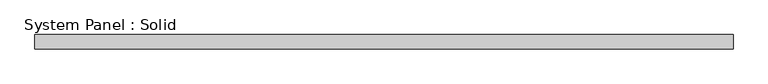
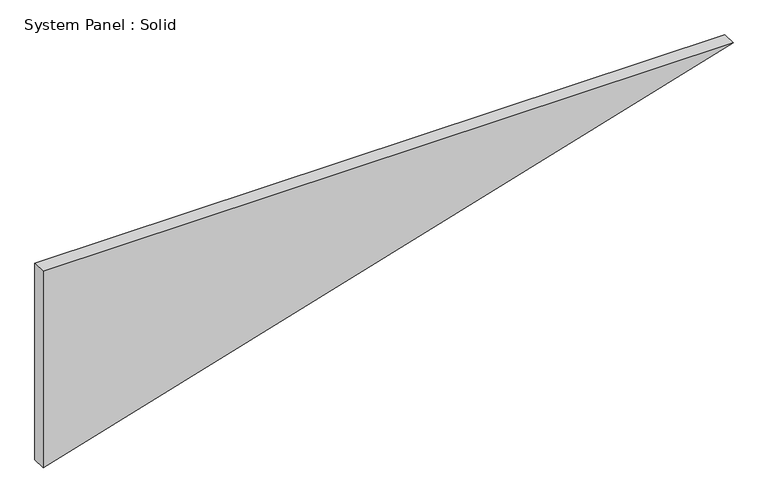
"""IFC4 building model written with IfcOpenShell, lengths in millimetres: plate geometry, System Panel : Solid."""

from ifc_helpers import new_model, si_unit, frame, origin, place, context, project, spatial, polyline, outline, extrude, source, transform, mapped, element, save


def system_panel_solid_18a99372(model_context):
    return source(origin(), model_context, "Body", "SweptSolid", [
        extrude(outline(polyline([(884.2400915, -1470.8716584), (0.0, -1470.8716584), (884.2400915, 1470.8716584), (884.2400915, -1470.8716584)])), frame((0.0, -10.5, 0.0), z_axis=(0.0, 1.0, 0.0), x_axis=(0.0, 0.0, 1.0)), (0.0, 0.0, 1.0), 60.0),
    ])


if __name__ == "__main__":
    model = new_model("IFC4")
    model_context = context("Model", 3, world=origin())
    ifc_project = project(units=[si_unit("LENGTHUNIT", "METRE", prefix="MILLI")], contexts=[model_context])
    site = spatial("IfcSite", under=ifc_project)
    building = spatial("IfcBuilding", under=site)
    placement = place(None, origin())
    system_panel_solid_shape = system_panel_solid_18a99372(model_context)
    element("IfcPlate", 1, ObjectType="System Panel : Solid", at=placement, inside=building, context=model_context, shape_type="MappedRepresentation", body=[
        mapped(system_panel_solid_shape, transform((0.0, 0.0, 0.0), x_axis=(1.0, 0.0, 0.0), y_axis=(0.0, 1.0, 0.0), z_axis=(0.0, 0.0, 1.0))),
    ])
    save(model, "model.ifc")
